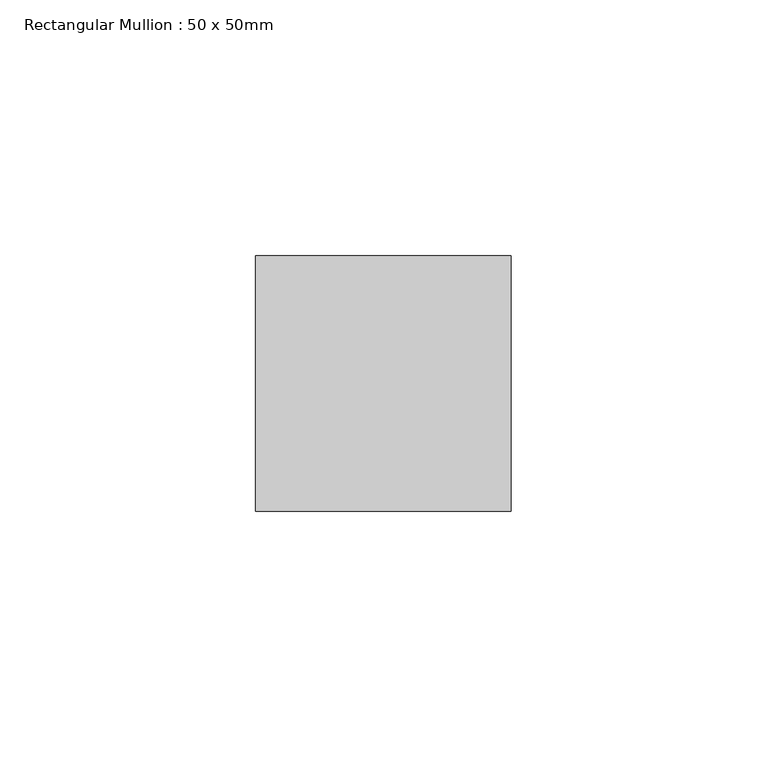
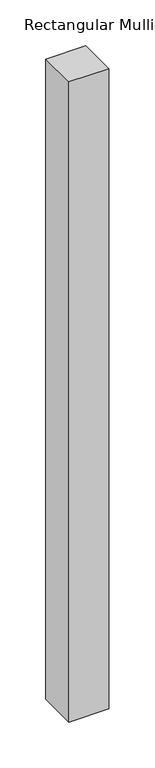
"""IFC4 building model written with IfcOpenShell, lengths in millimetres: member geometry, Rectangular Mullion : 50 x 50mm."""

import ifcopenshell
import ifcopenshell.guid

model = None  # the IFC model being written
_history = None  # IfcOwnerHistory: only IFC2X3 demands one
_inside = {}  # id of a spatial element -> (the spatial element, [elements in it])
_under = {}  # id of a project, library or spatial element -> (it, [spatial elements below it])
_declared = {}  # id of a project -> (the project, [libraries it declares])
_typed = {}  # id of a type object -> (the type object, [elements of that type])
_made_of = {}  # id of a material, layer set ... -> (it, [elements and type objects made of it])


def new_model(schema):
    """Start an empty IFC model of exactly this schema.

    Asked for "IFC4X3", IfcOpenShell would pick the latest addendum, in which some entities
    have other attributes; the version numbers below select the first issue.
    IFC2X3 requires an IfcOwnerHistory on every rooted entity: one is made here for all.
    """
    global model, _history
    if schema == "IFC4X3":
        model = ifcopenshell.file(schema_version=(4, 3, 0, 0))
    else:
        model = ifcopenshell.file(schema=schema)
    _inside.clear()
    _under.clear()
    _declared.clear()
    _typed.clear()
    _made_of.clear()
    _history = None
    if model.schema == "IFC2X3":
        org = make("IfcOrganization", Name="unknown")
        user = make(
            "IfcPersonAndOrganization",
            ThePerson=make("IfcPerson", FamilyName="unknown"),
            TheOrganization=org,
        )
        app = make(
            "IfcApplication",
            ApplicationDeveloper=org,
            Version="unknown",
            ApplicationFullName="unknown",
            ApplicationIdentifier="unknown",
        )
        _history = make(
            "IfcOwnerHistory",
            OwningUser=user,
            OwningApplication=app,
            ChangeAction="ADDED",
            CreationDate=0,
        )
    return model


def make(cls, **values):
    """One entity of the class cls with the attributes given. An attribute that is None is left unset."""
    return model.create_entity(
        cls, **{name: value for name, value in values.items() if value is not None}
    )


def rooted(cls, **values):
    """An entity with a GlobalId (a new one), such as an element, a storey or a relation."""
    return make(cls, GlobalId=ifcopenshell.guid.new(), OwnerHistory=_history, **values)


def si_unit(unit_type, name, prefix=None):
    """IfcSIUnit, for example si_unit("LENGTHUNIT", "METRE", prefix="MILLI")."""
    return make("IfcSIUnit", UnitType=unit_type, Prefix=prefix, Name=name)


def assignment(units):
    """IfcUnitAssignment: the units of a project."""
    return None if units is None else make("IfcUnitAssignment", Units=units)


def point(xyz):
    """IfcCartesianPoint."""
    return None if xyz is None else make("IfcCartesianPoint", Coordinates=xyz)


def direction(xyz):
    """IfcDirection."""
    return None if xyz is None else make("IfcDirection", DirectionRatios=xyz)


def frame(location, z_axis=None, x_axis=None):
    """IfcAxis2Placement3D, a coordinate frame: its origin and axes. An axis left out is left unset."""
    return make(
        "IfcAxis2Placement3D",
        Location=point(location),
        Axis=direction(z_axis),
        RefDirection=direction(x_axis),
    )


def origin():
    """The frame at (0, 0, 0) with its axes left unset."""
    return frame((0.0, 0.0, 0.0))


def place(relative_to, where):
    """IfcLocalPlacement: puts the frame where relative to a parent placement (None: the world)."""
    return make(
        "IfcLocalPlacement", PlacementRelTo=relative_to, RelativePlacement=where
    )


def context(
    kind, dimensions, precision=None, world=None, true_north=None, identifier=None
):
    """IfcGeometricRepresentationContext, for example the 3D "Model" context."""
    return make(
        "IfcGeometricRepresentationContext",
        ContextIdentifier=identifier,
        ContextType=kind,
        CoordinateSpaceDimension=dimensions,
        Precision=precision,
        WorldCoordinateSystem=world,
        TrueNorth=true_north,
    )


def project(units=None, contexts=None):
    """IfcProject with its units and contexts."""
    return rooted(
        "IfcProject",
        Name="project",
        RepresentationContexts=contexts,
        UnitsInContext=assignment(units),
    )


def spatial(cls, under=None, at=None, **own):
    """A site, building, storey or space (cls), placed at a placement, below another one or the project."""
    s = rooted(cls, ObjectPlacement=at, **own)
    if under is not None:
        _under.setdefault(under.id(), (under, []))[1].append(s)
    return s


def polyline(points):
    """IfcPolyline through the points."""
    return make("IfcPolyline", Points=[point(p) for p in points])


def outline(outer, holes=None, kind="AREA"):
    """IfcArbitraryClosedProfileDef: a profile drawn as a closed curve; with holes, ...WithVoids."""
    if holes is None:
        return make("IfcArbitraryClosedProfileDef", ProfileType=kind, OuterCurve=outer)
    return make(
        "IfcArbitraryProfileDefWithVoids",
        ProfileType=kind,
        OuterCurve=outer,
        InnerCurves=holes,
    )


def extrude(swept, where, along, depth):
    """IfcExtrudedAreaSolid: the profile swept, set in the frame where, extruded along a direction by depth."""
    return make(
        "IfcExtrudedAreaSolid",
        SweptArea=swept,
        Position=where,
        ExtrudedDirection=direction(along),
        Depth=depth,
    )


def shape(context_of_items, identifier, shape_type, items):
    """IfcShapeRepresentation: the items that make up one representation, for example the "Body"."""
    return make(
        "IfcShapeRepresentation",
        ContextOfItems=context_of_items,
        RepresentationIdentifier=identifier,
        RepresentationType=shape_type,
        Items=items,
    )


def source(mapping_origin, context_of_items, identifier, shape_type, items):
    """IfcRepresentationMap: a shape defined once, which mapped items show again and again."""
    return make(
        "IfcRepresentationMap",
        MappingOrigin=mapping_origin,
        MappedRepresentation=shape(context_of_items, identifier, shape_type, items),
    )


def transform(
    local_origin,
    x_axis=None,
    y_axis=None,
    z_axis=None,
    scale=None,
    scale2=None,
    scale3=None,
    uniform=True,
):
    """IfcCartesianTransformationOperator3D, or its non-uniform kind. x_axis, y_axis, z_axis: its Axis1, 2, 3."""
    if uniform:
        return make(
            "IfcCartesianTransformationOperator3D",
            Axis1=direction(x_axis),
            Axis2=direction(y_axis),
            LocalOrigin=point(local_origin),
            Scale=scale,
            Axis3=direction(z_axis),
        )
    return make(
        "IfcCartesianTransformationOperator3DnonUniform",
        Axis1=direction(x_axis),
        Axis2=direction(y_axis),
        LocalOrigin=point(local_origin),
        Scale=scale,
        Axis3=direction(z_axis),
        Scale2=scale2,
        Scale3=scale3,
    )


def mapped(mapping_source, mapping_target):
    """IfcMappedItem: shows the shape of a source again, moved by a transform."""
    return make(
        "IfcMappedItem", MappingSource=mapping_source, MappingTarget=mapping_target
    )


def made_of(thing, what):
    """Note that an element or type object is made of a material, layer set ...; save() writes the relation."""
    if what is not None:
        _made_of.setdefault(what.id(), (what, []))[1].append(thing)
    return thing


def element(
    cls,
    number,
    at=None,
    inside=None,
    cuts=None,
    type_object=None,
    material=None,
    context=None,
    identifier="Body",
    shape_type=None,
    held_by="IfcProductDefinitionShape",
    body=None,
    shapes=None,
    **own,
):
    """One element of the class cls, such as IfcWall. Its Tag is "e" and its number.

    at: its placement. inside: the storey or other place that contains it. cuts: it is an
    opening in that element (IfcRelVoidsElement). A single representation is given by context,
    identifier, shape_type and body (its items); several are given by shapes. held_by: the class
    of the entity that holds the representations. save() writes the other relations.
    """
    e = rooted(cls, Tag="e%d" % number, ObjectPlacement=at, **own)
    if body is not None:
        shapes = [shape(context, identifier, shape_type, body)]
    if shapes is not None:
        e.Representation = make(held_by, Representations=shapes)
    if inside is not None:
        _inside.setdefault(inside.id(), (inside, []))[1].append(e)
    if cuts is not None:
        rooted(
            "IfcRelVoidsElement", RelatingBuildingElement=cuts, RelatedOpeningElement=e
        )
    if type_object is not None:
        _typed.setdefault(type_object.id(), (type_object, []))[1].append(e)
    return made_of(e, material)


def aggregate(whole, parts):
    """IfcRelAggregates: a whole, such as a stair, and the parts it consists of."""
    return rooted("IfcRelAggregates", RelatingObject=whole, RelatedObjects=parts)


def save(model, path):
    """Write the relations noted so far, then the file.

    IfcRelAggregates (storeys below a building ...), IfcRelContainedInSpatialStructure (elements
    in a storey), IfcRelDefinesByType, IfcRelAssociatesMaterial and IfcRelDeclares: one each for
    every whole, place, type object, material and project.
    """
    for whole, parts in _under.values():
        aggregate(whole, parts)
    for where, things in _inside.values():
        rooted(
            "IfcRelContainedInSpatialStructure",
            RelatedElements=things,
            RelatingStructure=where,
        )
    for kind, things in _typed.values():
        rooted("IfcRelDefinesByType", RelatedObjects=things, RelatingType=kind)
    for what, things in _made_of.values():
        rooted("IfcRelAssociatesMaterial", RelatedObjects=things, RelatingMaterial=what)
    for by, libraries in _declared.values():
        rooted("IfcRelDeclares", RelatingContext=by, RelatedDefinitions=libraries)
    model.write(path)


def rectangular_mullion_50_x_50mm_28ba743a(model_context):
    return source(origin(), model_context, "Body", "SweptSolid", [
        extrude(outline(polyline([(25.0, 50.0), (25.0, 0.0), (-25.0, 0.0), (-25.0, 50.0), (25.0, 50.0)])), frame((0.0, 0.0, -850.0), z_axis=(0.0, 0.0, 1.0), x_axis=(1.0, 0.0, 0.0)), (0.0, 0.0, 1.0), 850.0),
    ])


if __name__ == "__main__":
    model = new_model("IFC4")
    model_context = context("Model", 3, world=origin())
    ifc_project = project(units=[si_unit("LENGTHUNIT", "METRE", prefix="MILLI")], contexts=[model_context])
    site = spatial("IfcSite", under=ifc_project)
    building = spatial("IfcBuilding", under=site)
    placement = place(None, origin())
    rectangular_mullion_50_x_50mm_shape = rectangular_mullion_50_x_50mm_28ba743a(model_context)
    element("IfcMember", 1, ObjectType="Rectangular Mullion : 50 x 50mm", at=placement, inside=building, context=model_context, shape_type="MappedRepresentation", body=[
        mapped(rectangular_mullion_50_x_50mm_shape, transform((0.0, 0.0, 0.0), x_axis=(1.0, 0.0, 0.0), y_axis=(0.0, 1.0, 0.0), z_axis=(0.0, 0.0, 1.0))),
    ])
    save(model, "model.ifc")
